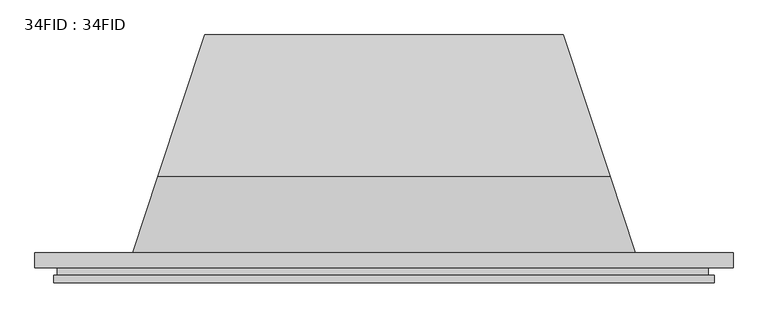
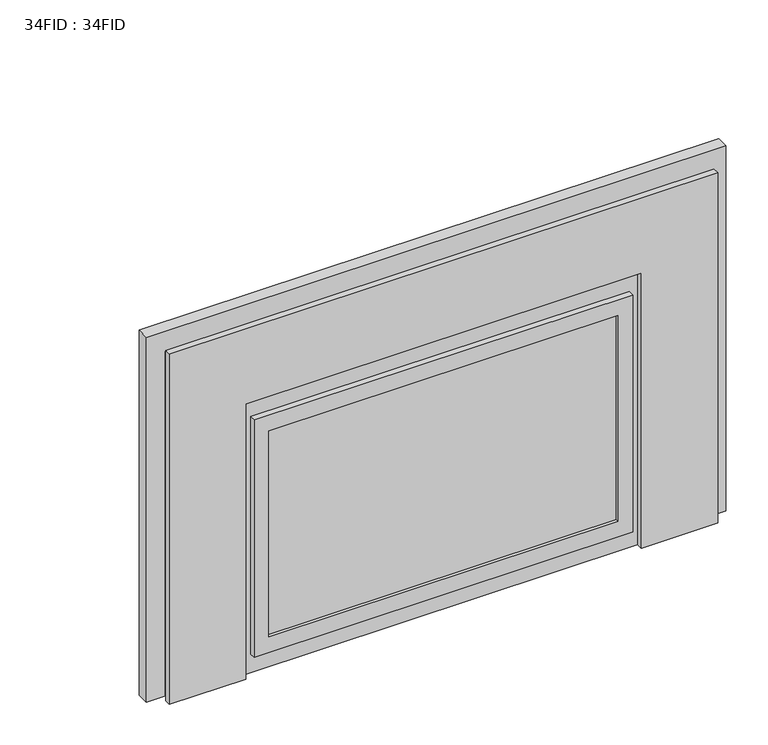
"""IFC4 building model written with IfcOpenShell, lengths in millimetres: proxy geometry, 34FID : 34FID."""

from ifc_helpers import new_model, si_unit, frame, origin, origin_with_axes, place, context, project, spatial, polyline, outline, extrude, faceted_brep, source, transform, mapped, element, save


def proxy_34fid_34fid_4f462878(model_context):
    return source(origin(), model_context, "Body", "SolidModel", [
        extrude(outline(polyline([(755.65, 558.8), (755.65, -558.8), (0.0, -558.8), (0.0, -403.225), (593.725, -403.225), (593.725, 403.225), (0.0, 403.225), (0.0, 558.8), (755.65, 558.8)])), frame((0.0, -50.8, 0.0), z_axis=(0.0, 1.0, 0.0), x_axis=(0.0, 0.0, 1.0)), (0.0, 0.0, 1.0), 12.7),
        extrude(outline(polyline([(41.275, -385.7625), (41.275, 385.7625), (552.45, 385.7625), (552.45, -385.7625), (41.275, -385.7625)]), holes=[polyline([(74.6125, -355.6), (519.1125, -355.6), (519.1125, 355.6), (74.6125, 355.6), (74.6125, -355.6)])]), frame((0.0, -50.8, 0.0), z_axis=(0.0, 1.0, 0.0), x_axis=(0.0, 0.0, 1.0)), (0.0, 0.0, 1.0), 12.7),
        extrude(outline(polyline([(355.6, -44.45), (-355.6, -44.45), (-355.6, -38.1), (355.6, -38.1), (355.6, -44.45)])), frame((0.0, 0.0, 74.6125), z_axis=(0.0, 0.0, 1.0), x_axis=(1.0, 0.0, 0.0)), (0.0, 0.0, 1.0), 444.5),
        extrude(outline(polyline([(548.8135228, -25.4), (548.8135228, -38.1), (-552.45, -38.1), (-552.45, -25.4), (548.8135228, -25.4)])), origin_with_axes(), (0.0, 0.0, 1.0), 743.0167365),
        extrude(outline(polyline([(590.55, 0.0), (590.55, -25.4), (-590.55, -25.4), (-590.55, 0.0), (590.55, 0.0)])), origin_with_axes(), (0.0, 0.0, 1.0), 787.4),
        faceted_brep([(-425.45, 0.0, 527.05), (425.45, 0.0, 527.05), (382.7722522, 128.5875, 527.05), (-382.7722522, 128.5875, 527.05), (-425.45, 0.0, 0.0), (-303.2125, 368.3, 0.0), (303.2125, 368.3, 0.0), (425.45, 0.0, 0.0), (303.2125, 368.3, 420.5111111), (-303.2125, 368.3, 420.5111111)], [[[0, 1, 2, 3]], [[4, 5, 6, 7]], [[1, 0, 4, 7]], [[3, 2, 8, 9]], [[7, 6, 8, 2, 1]], [[5, 4, 0, 3, 9]], [[6, 5, 9, 8]]]),
    ])


if __name__ == "__main__":
    model = new_model("IFC4")
    model_context = context("Model", 3, world=origin())
    ifc_project = project(units=[si_unit("LENGTHUNIT", "METRE", prefix="MILLI")], contexts=[model_context])
    site = spatial("IfcSite", under=ifc_project)
    building = spatial("IfcBuilding", under=site)
    placement = place(None, origin())
    proxy_34fid_34fid_shape = proxy_34fid_34fid_4f462878(model_context)
    element("IfcBuildingElementProxy", 1, Name="34FID : 34FID", ObjectType="34FID : 34FID", at=placement, inside=building, context=model_context, shape_type="MappedRepresentation", body=[
        mapped(proxy_34fid_34fid_shape, transform((0.0, 0.0, 0.0), x_axis=(1.0, 0.0, 0.0), y_axis=(0.0, 1.0, 0.0), z_axis=(0.0, 0.0, 1.0))),
    ])
    save(model, "model.ifc")
